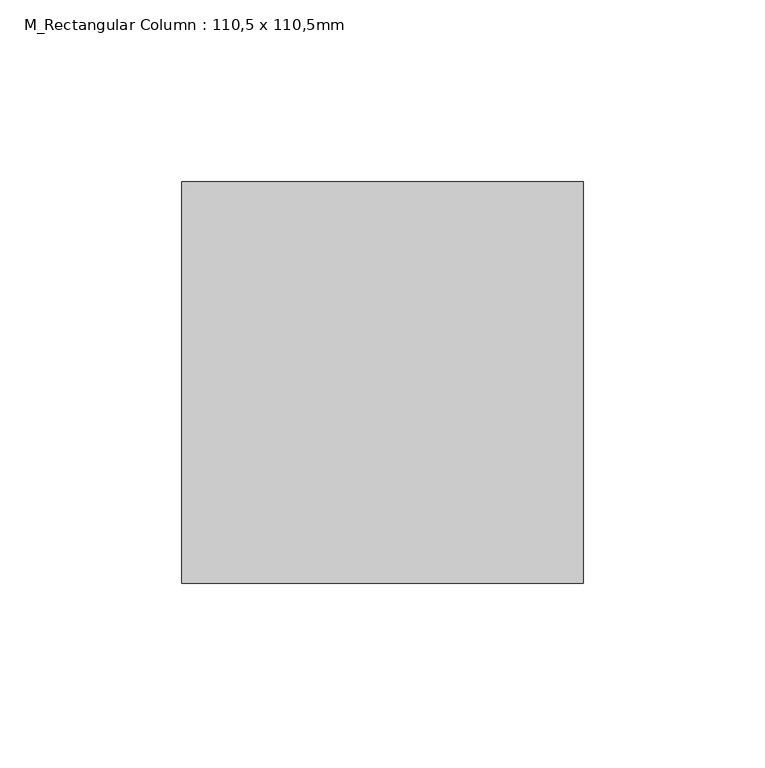
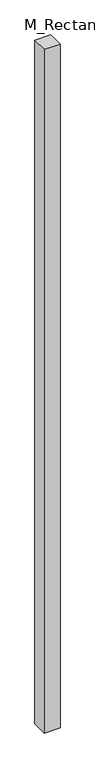
"""IFC4 building model written with IfcOpenShell, lengths in millimetres: column geometry, M_Rectangular Column : 110,5 x 110,5mm."""

from ifc_helpers import new_model, si_unit, frame, origin, place, context, project, spatial, polyline, outline, extrude, source, transform, mapped, element, save


def m_rectangular_column_110_5_x_110_5mm_ce6a5662(model_context):
    return source(origin(), model_context, "Body", "SweptSolid", [
        extrude(outline(polyline([(55.25, 55.25), (55.25, -55.25), (-55.25, -55.25), (-55.25, 55.25), (55.25, 55.25)])), frame((0.0, 0.0, 22190.0), z_axis=(0.0, 0.0, 1.0), x_axis=(1.0, 0.0, 0.0)), (0.0, 0.0, 1.0), 5020.0),
    ])


if __name__ == "__main__":
    model = new_model("IFC4")
    model_context = context("Model", 3, world=origin())
    ifc_project = project(units=[si_unit("LENGTHUNIT", "METRE", prefix="MILLI")], contexts=[model_context])
    site = spatial("IfcSite", under=ifc_project)
    building = spatial("IfcBuilding", under=site)
    placement = place(None, origin())
    m_rectangular_column_110_5_x_110_5mm_shape = m_rectangular_column_110_5_x_110_5mm_ce6a5662(model_context)
    element("IfcColumn", 1, ObjectType="M_Rectangular Column : 110,5 x 110,5mm", at=placement, inside=building, context=model_context, shape_type="MappedRepresentation", body=[
        mapped(m_rectangular_column_110_5_x_110_5mm_shape, transform((0.0, 0.0, 0.0), x_axis=(1.0, 0.0, 0.0), y_axis=(0.0, 1.0, 0.0), z_axis=(0.0, 0.0, 1.0))),
    ])
    save(model, "model.ifc")
